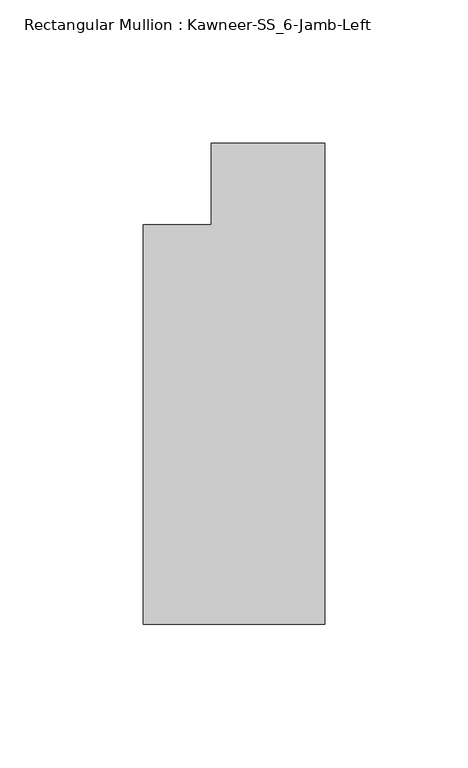
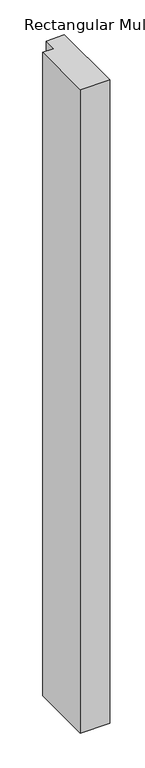
"""IFC4 building model written with IfcOpenShell, lengths in millimetres: member geometry, Rectangular Mullion : Kawneer-SS_6-Jamb-Left."""

from ifc_helpers import new_model, si_unit, frame, origin, place, context, project, spatial, polyline, outline, extrude, source, transform, mapped, element, save


def rectangular_mullion_kawneer_ss_6_jamb_left_fda491d2(model_context):
    return source(origin(), model_context, "Body", "SweptSolid", [
        extrude(outline(polyline([(0.0, -153.9875), (-63.5, -153.9875), (-63.5, -14.2875), (-39.6875, -14.2875), (-39.6875, 14.2875), (0.0, 14.2875), (0.0, -153.9875)])), frame((0.0, 0.0, -1460.5), z_axis=(0.0, 0.0, 1.0), x_axis=(1.0, 0.0, 0.0)), (0.0, 0.0, 1.0), 1460.5),
    ])


if __name__ == "__main__":
    model = new_model("IFC4")
    model_context = context("Model", 3, world=origin())
    ifc_project = project(units=[si_unit("LENGTHUNIT", "METRE", prefix="MILLI")], contexts=[model_context])
    site = spatial("IfcSite", under=ifc_project)
    building = spatial("IfcBuilding", under=site)
    placement = place(None, origin())
    rectangular_mullion_kawneer_ss_6_jamb_left_shape = rectangular_mullion_kawneer_ss_6_jamb_left_fda491d2(model_context)
    element("IfcMember", 1, ObjectType="Rectangular Mullion : Kawneer-SS_6-Jamb-Left", at=placement, inside=building, context=model_context, shape_type="MappedRepresentation", body=[
        mapped(rectangular_mullion_kawneer_ss_6_jamb_left_shape, transform((0.0, 0.0, 0.0), x_axis=(1.0, 0.0, 0.0), y_axis=(0.0, 1.0, 0.0), z_axis=(0.0, 0.0, 1.0))),
    ])
    save(model, "model.ifc")
